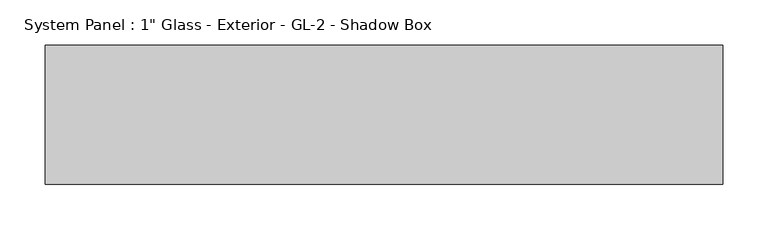
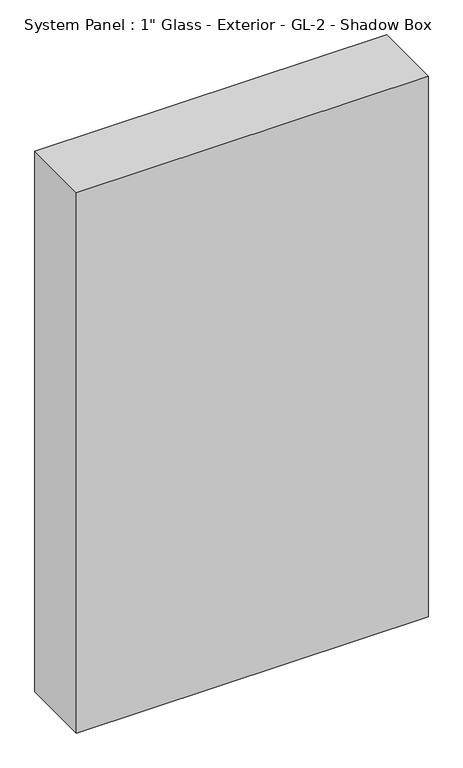
"""IFC4 building model written with IfcOpenShell, lengths in millimetres: plate geometry."""

from ifc_helpers import new_model, si_unit, origin, origin_with_axes, place, context, project, spatial, polyline, outline, extrude, source, transform, mapped, element, save


def plate_33d166f4(model_context):
    return source(origin(), model_context, "Body", "SweptSolid", [
        extrude(outline(polyline([(372.2050577, 0.0), (-372.2050577, 0.0), (-372.2050577, 152.4), (372.2050577, 152.4), (372.2050577, 0.0)])), origin_with_axes(), (0.0, 0.0, 1.0), 1209.675),
    ])


if __name__ == "__main__":
    model = new_model("IFC4")
    model_context = context("Model", 3, world=origin())
    ifc_project = project(units=[si_unit("LENGTHUNIT", "METRE", prefix="MILLI")], contexts=[model_context])
    site = spatial("IfcSite", under=ifc_project)
    building = spatial("IfcBuilding", under=site)
    placement = place(None, origin())
    plate_shape = plate_33d166f4(model_context)
    element("IfcPlate", 1, ObjectType="System Panel : 1\" Glass - Exterior - GL-2 - Shadow Box", at=placement, inside=building, context=model_context, shape_type="MappedRepresentation", body=[
        mapped(plate_shape, transform((0.0, 0.0, 0.0), x_axis=(1.0, 0.0, 0.0), y_axis=(0.0, 1.0, 0.0), z_axis=(0.0, 0.0, 1.0))),
    ])
    save(model, "model.ifc")
